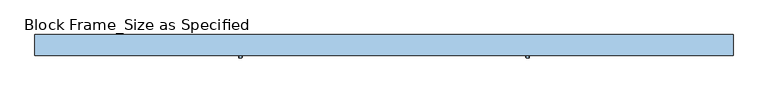
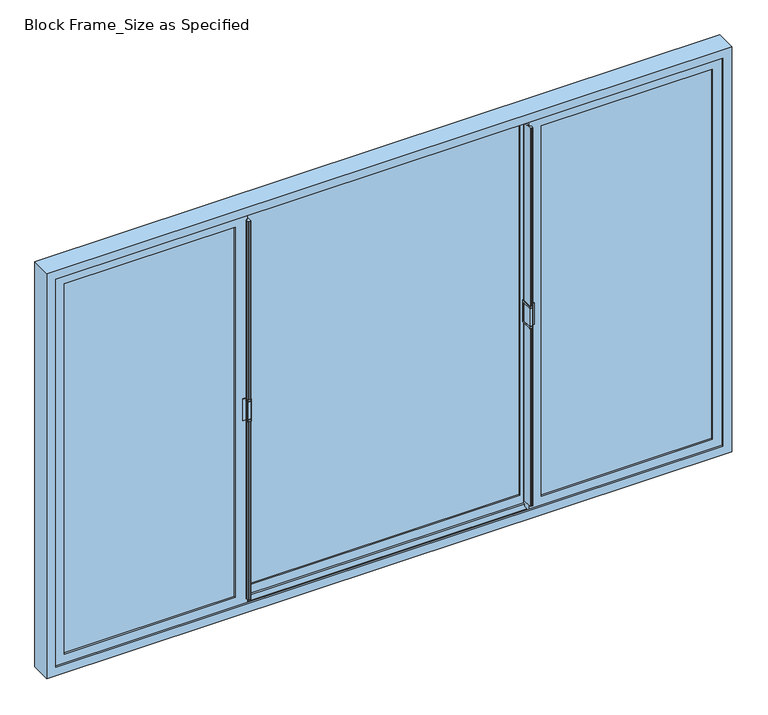
"""IFC4 building model written with IfcOpenShell, lengths in millimetres: window geometry, Block Frame_Size as Specified."""

from ifc_helpers import new_model, si_unit, frame, origin, place, context, project, spatial, polyline, circle_curve, outline, extrude, faceted_brep, source, transform, mapped, element, save
from ifc_brep_helpers import plane_surface, cylinder_surface, advanced_brep


def block_frame_size_as_specified_815a93c2(model_context):
    return source(origin(), model_context, "Body", "SolidModel", [
        advanced_brep(
        [(-478.110056, 23.3959942, 1409.7), (-476.522556, 24.9834942, 1409.7), (-476.522556, 65.9504688, 1409.7), (-478.48439, 65.9504688, 1409.7), (-478.48439, 37.8803692, 1409.7), (-499.6447082, 37.8803692, 1409.7), (-499.6447082, 36.4928692, 1409.7), (-488.4155038, 36.4928692, 1409.7), (-488.4155038, 24.9834942, 1409.7), (-486.8280038, 23.3959942, 1409.7), (-478.110056, 23.3959942, 1327.15), (-486.8280038, 23.3959942, 1327.15), (-488.4155038, 24.9834942, 1327.15), (-488.4155038, 36.4928692, 1327.15), (-499.6447082, 36.4928692, 1327.15), (-499.6447082, 37.8803692, 1327.15), (-478.48439, 37.8803692, 1327.15), (-478.48439, 65.9504688, 1327.15), (-476.522556, 65.9504688, 1327.15), (-476.522556, 24.9834942, 1327.15), (-486.8280038, 23.3959942, 1403.35), (-478.110056, 23.3959942, 1403.35), (-478.110056, 23.3959942, 1333.5), (-486.8280038, 23.3959942, 1333.5), (-478.110056, 23.3959942, 1335.0875), (-478.110056, 23.3959942, 1401.7625), (-486.8280038, 23.3959942, 1401.7625), (-486.8280038, 23.3959942, 1335.0875), (-488.4155038, 24.9834942, 1403.35), (-488.4155038, 24.9834942, 1333.5), (-488.4155038, 24.9834942, 1401.7625), (-488.4155038, 24.9834942, 1335.0875), (-488.4155038, 36.4928692, 1403.35), (-488.4155038, 36.4928692, 1333.5), (-488.4155038, 36.4928692, 1401.7625), (-488.4155038, 36.4928692, 1335.0875), (-478.48439, 37.8803692, 1403.35), (-488.4155038, 37.8803692, 1403.35), (-488.4155038, 37.8803692, 1401.7625), (-478.48439, 37.8803692, 1401.7625), (-478.48439, 37.8803692, 1335.0875), (-488.4155038, 37.8803692, 1335.0875), (-488.4155038, 37.8803692, 1333.5), (-478.48439, 37.8803692, 1333.5), (-478.48439, 59.6004688, 1333.5), (-478.48439, 59.6004688, 1403.35), (-478.48439, 58.0129688, 1401.7625), (-478.48439, 58.0129688, 1335.0875), (-476.522556, 24.9834942, 1403.35), (-476.522556, 59.6004688, 1403.35), (-476.522556, 59.6004688, 1333.5), (-476.522556, 24.9834942, 1333.5), (-476.522556, 24.9834942, 1401.7625), (-476.522556, 24.9834942, 1335.0875), (-476.522556, 58.0129688, 1335.0875), (-476.522556, 58.0129688, 1401.7625)],
        [
            (0, 1, circle_curve(frame((-478.110056, 24.9834942, 1409.7), z_axis=(0.0, 0.0, 1.0), x_axis=(0.0, 1.0, 0.0)), 1.5875)),
            (1, 2),
            (2, 3),
            (3, 4),
            (4, 5),
            (5, 6),
            (6, 7),
            (7, 8),
            (8, 9, circle_curve(frame((-486.8280038, 24.9834942, 1409.7), z_axis=(0.0, 0.0, 1.0), x_axis=(0.0, 1.0, 0.0)), 1.5875)),
            (9, 0),
            (10, 11),
            (11, 12, circle_curve(frame((-486.8280038, 24.9834942, 1327.15), z_axis=(0.0, 0.0, -1.0), x_axis=(0.0, 1.0, 0.0)), 1.5875)),
            (12, 13),
            (13, 14),
            (14, 15),
            (15, 16),
            (16, 17),
            (17, 18),
            (18, 19),
            (19, 10, circle_curve(frame((-478.110056, 24.9834942, 1327.15), z_axis=(0.0, 0.0, -1.0), x_axis=(0.0, 1.0, 0.0)), 1.5875)),
            (9, 20),
            (20, 21),
            (21, 0),
            (10, 22),
            (22, 23),
            (23, 11),
            (24, 25),
            (25, 26),
            (26, 27),
            (27, 24),
            (8, 28),
            (28, 20, circle_curve(frame((-486.8280038, 24.9834942, 1403.35), z_axis=(0.0, 0.0, 1.0), x_axis=(0.0, 1.0, 0.0)), 1.5875)),
            (23, 29, circle_curve(frame((-486.8280038, 24.9834942, 1333.5), z_axis=(0.0, 0.0, -1.0), x_axis=(0.0, 1.0, 0.0)), 1.5875)),
            (29, 12),
            (26, 30, circle_curve(frame((-486.8280038, 24.9834942, 1401.7625), z_axis=(0.0, 0.0, -1.0), x_axis=(0.0, 1.0, 0.0)), 1.5875)),
            (30, 31),
            (31, 27, circle_curve(frame((-486.8280038, 24.9834942, 1335.0875), z_axis=(0.0, 0.0, 1.0), x_axis=(0.0, 1.0, 0.0)), 1.5875)),
            (7, 32),
            (32, 28),
            (29, 33),
            (33, 13),
            (30, 34),
            (34, 35),
            (35, 31),
            (6, 14),
            (33, 35),
            (34, 32),
            (5, 15),
            (4, 36),
            (36, 37),
            (37, 38),
            (38, 39),
            (39, 40),
            (40, 41),
            (41, 42),
            (42, 43),
            (43, 16),
            (3, 17),
            (43, 44),
            (44, 45),
            (45, 36),
            (39, 46),
            (46, 47),
            (47, 40),
            (2, 18),
            (1, 48),
            (48, 49),
            (49, 50),
            (50, 51),
            (51, 19),
            (52, 53),
            (53, 54),
            (54, 55),
            (55, 52),
            (21, 48, circle_curve(frame((-478.110056, 24.9834942, 1403.35), z_axis=(0.0, 0.0, 1.0), x_axis=(0.0, 1.0, 0.0)), 1.5875)),
            (51, 22, circle_curve(frame((-478.110056, 24.9834942, 1333.5), z_axis=(0.0, 0.0, -1.0), x_axis=(0.0, 1.0, 0.0)), 1.5875)),
            (24, 53, circle_curve(frame((-478.110056, 24.9834942, 1335.0875), z_axis=(0.0, 0.0, 1.0), x_axis=(0.0, 1.0, 0.0)), 1.5875)),
            (52, 25, circle_curve(frame((-478.110056, 24.9834942, 1401.7625), z_axis=(0.0, 0.0, -1.0), x_axis=(0.0, 1.0, 0.0)), 1.5875)),
            (34, 38),
            (37, 32),
            (41, 35),
            (33, 42),
            (55, 46),
            (54, 47),
            (50, 44),
            (49, 45),
        ],
        [
            plane_surface(frame((-482.9710411, 23.3959942, 1409.7), z_axis=(0.0, 0.0, 1.0), x_axis=(1.0, 0.0, 0.0))),
            plane_surface(frame((-482.9710411, 23.3959942, 1327.15), z_axis=(0.0, 0.0, -1.0), x_axis=(-1.0, 0.0, 0.0))),
            plane_surface(frame((-478.110056, 23.3959942, 1327.15), z_axis=(0.0, -1.0, 0.0), x_axis=(0.0, 0.0, 1.0))),
            cylinder_surface(frame((-486.8280038, 24.9834942, 1409.7), z_axis=(0.0, 0.0, -1.0), x_axis=(0.0, 1.0, 0.0)), 1.5875),
            plane_surface(frame((-488.4155038, 24.9834942, 1327.15), z_axis=(-1.0, 0.0, 0.0), x_axis=(0.0, 0.0, 1.0))),
            plane_surface(frame((-488.4155038, 36.4928692, 1327.15), z_axis=(0.0, -1.0, 0.0), x_axis=(0.0, 0.0, 1.0))),
            plane_surface(frame((-499.6447082, 36.4928692, 1327.15), z_axis=(-1.0, 0.0, 0.0), x_axis=(0.0, 0.0, 1.0))),
            plane_surface(frame((-499.6447082, 37.8803692, 1327.15), z_axis=(0.0, 1.0, 0.0), x_axis=(0.0, 0.0, 1.0))),
            plane_surface(frame((-478.48439, 37.8803692, 1327.15), z_axis=(-1.0, 0.0, 0.0), x_axis=(0.0, 0.0, 1.0))),
            plane_surface(frame((-478.48439, 65.9504688, 1327.15), z_axis=(0.0, 1.0, 0.0), x_axis=(0.0, 0.0, 1.0))),
            plane_surface(frame((-476.522556, 65.9504688, 1327.15), z_axis=(1.0, 0.0, 0.0), x_axis=(0.0, 0.0, 1.0))),
            cylinder_surface(frame((-478.110056, 24.9834942, 1409.7), z_axis=(0.0, 0.0, -1.0), x_axis=(0.0, 1.0, 0.0)), 1.5875),
            plane_surface(frame((-488.4155038, 23.3959942, 1403.35), z_axis=(1.0, 0.0, 0.0), x_axis=(0.0, 0.0, 1.0))),
            plane_surface(frame((-476.522556, 23.3959942, 1401.7625), z_axis=(0.0, 0.0, 1.0), x_axis=(-1.0, 0.0, 0.0))),
            plane_surface(frame((-476.522556, 58.0129688, 1401.7625), z_axis=(0.0, 1.0, 0.0), x_axis=(-1.0, 0.0, 0.0))),
            plane_surface(frame((-476.522556, 58.0129688, 1335.0875), z_axis=(0.0, 0.0, -1.0), x_axis=(-1.0, 0.0, 0.0))),
            plane_surface(frame((-476.522556, 23.3959942, 1333.5), z_axis=(0.0, 0.0, 1.0), x_axis=(-1.0, 0.0, 0.0))),
            plane_surface(frame((-476.522556, 59.6004688, 1333.5), z_axis=(0.0, -1.0, 0.0), x_axis=(-1.0, 0.0, 0.0))),
            plane_surface(frame((-476.522556, 59.6004688, 1403.35), z_axis=(0.0, 0.0, -1.0), x_axis=(-1.0, 0.0, 0.0))),
        ],
        [
            (0, [[1, 2, 3, 4, 5, 6, 7, 8, 9, 10]]),
            (1, [[11, 12, 13, 14, 15, 16, 17, 18, 19, 20]]),
            (2, [[-10, 21, 22, 23]]),
            (2, [[-11, 24, 25, 26]]),
            (2, [[27, 28, 29, 30]]),
            (3, [[-9, 31, 32, -21]]),
            (3, [[-12, -26, 33, 34]]),
            (3, [[-29, 35, 36, 37]]),
            (4, [[-8, 38, 39, -31]]),
            (4, [[-13, -34, 40, 41]]),
            (4, [[-36, 42, 43, 44]]),
            (5, [[-7, 45, -14, -41, 46, -43, 47, -38]]),
            (6, [[-6, 48, -15, -45]]),
            (7, [[-5, 49, 50, 51, 52, 53, 54, 55, 56, 57, -16, -48]]),
            (8, [[-4, 58, -17, -57, 59, 60, 61, -49]]),
            (8, [[-53, 62, 63, 64]]),
            (9, [[-3, 65, -18, -58]]),
            (10, [[-2, 66, 67, 68, 69, 70, -19, -65]]),
            (10, [[71, 72, 73, 74]]),
            (11, [[-1, -23, 75, -66]]),
            (11, [[-20, -70, 76, -24]]),
            (11, [[-27, 77, -71, 78]]),
            (12, [[79, -51, 80, -47]]),
            (12, [[81, -46, 82, -55]]),
            (13, [[-79, -42, -35, -28, -78, -74, 83, -62, -52]]),
            (14, [[-83, -73, 84, -63]]),
            (15, [[-81, -54, -64, -84, -72, -77, -30, -37, -44]]),
            (16, [[-82, -40, -33, -25, -76, -69, 85, -59, -56]]),
            (17, [[-85, -68, 86, -60]]),
            (18, [[-80, -50, -61, -86, -67, -75, -22, -32, -39]]),
        ],
    ),
        advanced_brep(
        [(516.210056, 23.3959942, 1327.15), (514.622556, 24.9834942, 1327.15), (514.622556, 65.9504688, 1327.15), (516.58439, 65.9504688, 1327.15), (516.58439, 37.8803692, 1327.15), (537.7447082, 37.8803692, 1327.15), (537.7447082, 36.4928692, 1327.15), (526.5155038, 36.4928692, 1327.15), (526.5155038, 24.9834942, 1327.15), (524.9280038, 23.3959942, 1327.15), (516.210056, 23.3959942, 1409.7), (524.9280038, 23.3959942, 1409.7), (526.5155038, 24.9834942, 1409.7), (526.5155038, 36.4928692, 1409.7), (537.7447082, 36.4928692, 1409.7), (537.7447082, 37.8803692, 1409.7), (516.58439, 37.8803692, 1409.7), (516.58439, 65.9504688, 1409.7), (514.622556, 65.9504688, 1409.7), (514.622556, 24.9834942, 1409.7), (524.9280038, 23.3959942, 1333.5), (516.210056, 23.3959942, 1333.5), (516.210056, 23.3959942, 1403.35), (524.9280038, 23.3959942, 1403.35), (516.210056, 23.3959942, 1401.7625), (516.210056, 23.3959942, 1335.0875), (524.9280038, 23.3959942, 1335.0875), (524.9280038, 23.3959942, 1401.7625), (526.5155038, 24.9834942, 1333.5), (526.5155038, 24.9834942, 1403.35), (526.5155038, 24.9834942, 1335.0875), (526.5155038, 24.9834942, 1401.7625), (526.5155038, 36.4928692, 1333.5), (526.5155038, 36.4928692, 1403.35), (526.5155038, 36.4928692, 1335.0875), (526.5155038, 36.4928692, 1401.7625), (516.58439, 37.8803692, 1333.5), (526.5155038, 37.8803692, 1333.5), (526.5155038, 37.8803692, 1335.0875), (516.58439, 37.8803692, 1335.0875), (516.58439, 37.8803692, 1401.7625), (526.5155038, 37.8803692, 1401.7625), (526.5155038, 37.8803692, 1403.35), (516.58439, 37.8803692, 1403.35), (516.58439, 59.6004688, 1403.35), (516.58439, 59.6004688, 1333.5), (516.58439, 58.0129688, 1335.0875), (516.58439, 58.0129688, 1401.7625), (514.622556, 24.9834942, 1333.5), (514.622556, 59.6004688, 1333.5), (514.622556, 59.6004688, 1403.35), (514.622556, 24.9834942, 1403.35), (514.622556, 24.9834942, 1335.0875), (514.622556, 24.9834942, 1401.7625), (514.622556, 58.0129688, 1401.7625), (514.622556, 58.0129688, 1335.0875)],
        [
            (0, 1, circle_curve(frame((516.210056, 24.9834942, 1327.15), z_axis=(0.0, 0.0, -1.0), x_axis=(0.0, 1.0, 0.0)), 1.5875)),
            (1, 2),
            (2, 3),
            (3, 4),
            (4, 5),
            (5, 6),
            (6, 7),
            (7, 8),
            (8, 9, circle_curve(frame((524.9280038, 24.9834942, 1327.15), z_axis=(0.0, 0.0, -1.0), x_axis=(0.0, 1.0, 0.0)), 1.5875)),
            (9, 0),
            (10, 11),
            (11, 12, circle_curve(frame((524.9280038, 24.9834942, 1409.7), z_axis=(0.0, 0.0, 1.0), x_axis=(0.0, 1.0, 0.0)), 1.5875)),
            (12, 13),
            (13, 14),
            (14, 15),
            (15, 16),
            (16, 17),
            (17, 18),
            (18, 19),
            (19, 10, circle_curve(frame((516.210056, 24.9834942, 1409.7), z_axis=(0.0, 0.0, 1.0), x_axis=(0.0, 1.0, 0.0)), 1.5875)),
            (9, 20),
            (20, 21),
            (21, 0),
            (10, 22),
            (22, 23),
            (23, 11),
            (24, 25),
            (25, 26),
            (26, 27),
            (27, 24),
            (8, 28),
            (28, 20, circle_curve(frame((524.9280038, 24.9834942, 1333.5), z_axis=(0.0, 0.0, -1.0), x_axis=(0.0, 1.0, 0.0)), 1.5875)),
            (23, 29, circle_curve(frame((524.9280038, 24.9834942, 1403.35), z_axis=(0.0, 0.0, 1.0), x_axis=(0.0, 1.0, 0.0)), 1.5875)),
            (29, 12),
            (26, 30, circle_curve(frame((524.9280038, 24.9834942, 1335.0875), z_axis=(0.0, 0.0, 1.0), x_axis=(0.0, 1.0, 0.0)), 1.5875)),
            (30, 31),
            (31, 27, circle_curve(frame((524.9280038, 24.9834942, 1401.7625), z_axis=(0.0, 0.0, -1.0), x_axis=(0.0, 1.0, 0.0)), 1.5875)),
            (7, 32),
            (32, 28),
            (29, 33),
            (33, 13),
            (30, 34),
            (34, 35),
            (35, 31),
            (6, 14),
            (33, 35),
            (34, 32),
            (5, 15),
            (4, 36),
            (36, 37),
            (37, 38),
            (38, 39),
            (39, 40),
            (40, 41),
            (41, 42),
            (42, 43),
            (43, 16),
            (3, 17),
            (43, 44),
            (44, 45),
            (45, 36),
            (39, 46),
            (46, 47),
            (47, 40),
            (2, 18),
            (1, 48),
            (48, 49),
            (49, 50),
            (50, 51),
            (51, 19),
            (52, 53),
            (53, 54),
            (54, 55),
            (55, 52),
            (21, 48, circle_curve(frame((516.210056, 24.9834942, 1333.5), z_axis=(0.0, 0.0, -1.0), x_axis=(0.0, 1.0, 0.0)), 1.5875)),
            (51, 22, circle_curve(frame((516.210056, 24.9834942, 1403.35), z_axis=(0.0, 0.0, 1.0), x_axis=(0.0, 1.0, 0.0)), 1.5875)),
            (24, 53, circle_curve(frame((516.210056, 24.9834942, 1401.7625), z_axis=(0.0, 0.0, -1.0), x_axis=(0.0, 1.0, 0.0)), 1.5875)),
            (52, 25, circle_curve(frame((516.210056, 24.9834942, 1335.0875), z_axis=(0.0, 0.0, 1.0), x_axis=(0.0, 1.0, 0.0)), 1.5875)),
            (34, 38),
            (37, 32),
            (41, 35),
            (33, 42),
            (55, 46),
            (54, 47),
            (50, 44),
            (49, 45),
        ],
        [
            plane_surface(frame((521.0710411, 23.3959942, 1327.15), z_axis=(0.0, 0.0, -1.0), x_axis=(-1.0, 0.0, 0.0))),
            plane_surface(frame((521.0710411, 23.3959942, 1409.7), z_axis=(0.0, 0.0, 1.0), x_axis=(1.0, 0.0, 0.0))),
            plane_surface(frame((516.210056, 23.3959942, 1409.7), z_axis=(0.0, -1.0, 0.0), x_axis=(0.0, 0.0, -1.0))),
            cylinder_surface(frame((524.9280038, 24.9834942, 1327.15), z_axis=(0.0, 0.0, 1.0), x_axis=(0.0, 1.0, 0.0)), 1.5875),
            plane_surface(frame((526.5155038, 24.9834942, 1409.7), z_axis=(1.0, 0.0, 0.0), x_axis=(0.0, 0.0, -1.0))),
            plane_surface(frame((526.5155038, 36.4928692, 1409.7), z_axis=(0.0, -1.0, 0.0), x_axis=(0.0, 0.0, -1.0))),
            plane_surface(frame((537.7447082, 36.4928692, 1409.7), z_axis=(1.0, 0.0, 0.0), x_axis=(0.0, 0.0, -1.0))),
            plane_surface(frame((537.7447082, 37.8803692, 1409.7), z_axis=(0.0, 1.0, 0.0), x_axis=(0.0, 0.0, -1.0))),
            plane_surface(frame((516.58439, 37.8803692, 1409.7), z_axis=(1.0, 0.0, 0.0), x_axis=(0.0, 0.0, -1.0))),
            plane_surface(frame((516.58439, 65.9504688, 1409.7), z_axis=(0.0, 1.0, 0.0), x_axis=(0.0, 0.0, -1.0))),
            plane_surface(frame((514.622556, 65.9504688, 1409.7), z_axis=(-1.0, 0.0, 0.0), x_axis=(0.0, 0.0, -1.0))),
            cylinder_surface(frame((516.210056, 24.9834942, 1327.15), z_axis=(0.0, 0.0, 1.0), x_axis=(0.0, 1.0, 0.0)), 1.5875),
            plane_surface(frame((526.5155038, 23.3959942, 1333.5), z_axis=(-1.0, 0.0, 0.0), x_axis=(0.0, 0.0, -1.0))),
            plane_surface(frame((514.622556, 23.3959942, 1335.0875), z_axis=(0.0, 0.0, -1.0), x_axis=(1.0, 0.0, 0.0))),
            plane_surface(frame((514.622556, 58.0129688, 1335.0875), z_axis=(0.0, 1.0, 0.0), x_axis=(1.0, 0.0, 0.0))),
            plane_surface(frame((514.622556, 58.0129688, 1401.7625), z_axis=(0.0, 0.0, 1.0), x_axis=(1.0, 0.0, 0.0))),
            plane_surface(frame((514.622556, 23.3959942, 1403.35), z_axis=(0.0, 0.0, -1.0), x_axis=(1.0, 0.0, 0.0))),
            plane_surface(frame((514.622556, 59.6004688, 1403.35), z_axis=(0.0, -1.0, 0.0), x_axis=(1.0, 0.0, 0.0))),
            plane_surface(frame((514.622556, 59.6004688, 1333.5), z_axis=(0.0, 0.0, 1.0), x_axis=(1.0, 0.0, 0.0))),
        ],
        [
            (0, [[1, 2, 3, 4, 5, 6, 7, 8, 9, 10]]),
            (1, [[11, 12, 13, 14, 15, 16, 17, 18, 19, 20]]),
            (2, [[-10, 21, 22, 23]]),
            (2, [[-11, 24, 25, 26]]),
            (2, [[27, 28, 29, 30]]),
            (3, [[-9, 31, 32, -21]]),
            (3, [[-12, -26, 33, 34]]),
            (3, [[-29, 35, 36, 37]]),
            (4, [[-8, 38, 39, -31]]),
            (4, [[-13, -34, 40, 41]]),
            (4, [[-36, 42, 43, 44]]),
            (5, [[-7, 45, -14, -41, 46, -43, 47, -38]]),
            (6, [[-6, 48, -15, -45]]),
            (7, [[-5, 49, 50, 51, 52, 53, 54, 55, 56, 57, -16, -48]]),
            (8, [[-4, 58, -17, -57, 59, 60, 61, -49]]),
            (8, [[-53, 62, 63, 64]]),
            (9, [[-3, 65, -18, -58]]),
            (10, [[-2, 66, 67, 68, 69, 70, -19, -65]]),
            (10, [[71, 72, 73, 74]]),
            (11, [[-1, -23, 75, -66]]),
            (11, [[-20, -70, 76, -24]]),
            (11, [[-27, 77, -71, 78]]),
            (12, [[79, -51, 80, -47]]),
            (12, [[81, -46, 82, -55]]),
            (13, [[-79, -42, -35, -28, -78, -74, 83, -62, -52]]),
            (14, [[-83, -73, 84, -63]]),
            (15, [[-81, -54, -64, -84, -72, -77, -30, -37, -44]]),
            (16, [[-82, -40, -33, -25, -76, -69, 85, -59, -56]]),
            (17, [[-85, -68, 86, -60]]),
            (18, [[-80, -50, -61, -86, -67, -75, -22, -32, -39]]),
        ],
    ),
        faceted_brep([(1238.25, 104.4283692, 2130.425), (1238.25, 31.4033692, 2130.425), (1238.25, 31.4033692, 606.425), (1238.25, 104.4283692, 606.425), (1222.375, 97.3658834, 2114.55), (1222.375, 104.4283692, 2114.55), (1222.375, 104.4283692, 622.3), (1222.375, 97.3658834, 622.3), (1206.5, 68.9953692, 2098.675), (1206.5, 79.9173692, 2098.675), (1206.5, 79.9173692, 638.175), (1206.5, 68.9953692, 638.175), (1228.725, 37.7533692, 2120.9), (1228.725, 68.9953692, 2120.9), (1228.725, 68.9953692, 615.95), (1228.725, 37.7533692, 615.95), (1206.5, 31.4033692, 2098.675), (1206.5, 37.7533692, 2098.675), (1206.5, 37.7533692, 638.175), (1206.5, 31.4033692, 638.175), (-1200.15, 31.4033692, 606.425), (-1200.15, 104.4283692, 606.425), (-1184.275, 104.4283692, 622.3), (-1184.275, 97.3658834, 622.3), (-1168.4, 79.9173692, 638.175), (-1168.4, 68.9953692, 638.175), (-1190.625, 68.9953692, 615.95), (-1190.625, 37.7533692, 615.95), (-1168.4, 37.7533692, 638.175), (-1168.4, 31.4033692, 638.175), (-1200.15, 31.4033692, 2130.425), (-1200.15, 104.4283692, 2130.425), (-1184.275, 104.4283692, 2114.55), (-1184.275, 97.3658834, 2114.55), (-1168.4, 79.9173692, 2098.675), (-1168.4, 68.9953692, 2098.675), (-1190.625, 68.9953692, 2120.9), (-1190.625, 37.7533692, 2120.9), (-1168.4, 37.7533692, 2098.675), (-1168.4, 31.4033692, 2098.675), (1224.9532518, 79.9173692, 2117.1282518), (1224.9532518, 97.3658834, 2117.1282518), (1224.9532518, 97.3658834, 619.7217482), (1224.9532518, 79.9173692, 619.7217482), (-1186.8532518, 97.3658834, 619.7217482), (-1186.8532518, 79.9173692, 619.7217482), (-1186.8532518, 97.3658834, 2117.1282518), (-1186.8532518, 79.9173692, 2117.1282518)], [[[0, 1, 2, 3]], [[4, 5, 6, 7]], [[8, 9, 10, 11]], [[12, 13, 14, 15]], [[16, 17, 18, 19]], [[3, 2, 20, 21]], [[7, 6, 22, 23]], [[11, 10, 24, 25]], [[15, 14, 26, 27]], [[19, 18, 28, 29]], [[21, 20, 30, 31]], [[23, 22, 32, 33]], [[25, 24, 34, 35]], [[27, 26, 36, 37]], [[29, 28, 38, 39]], [[1, 0, 31, 30]], [[0, 3, 21, 31], [6, 5, 32, 22]], [[5, 4, 33, 32]], [[9, 8, 35, 34]], [[14, 13, 36, 26], [8, 11, 25, 35]], [[13, 12, 37, 36]], [[12, 15, 27, 37], [18, 17, 38, 28]], [[17, 16, 39, 38]], [[2, 1, 30, 20], [16, 19, 29, 39]], [[40, 41, 42, 43]], [[43, 42, 44, 45]], [[45, 44, 46, 47]], [[42, 41, 46, 44], [4, 7, 23, 33]], [[41, 40, 47, 46]], [[40, 43, 45, 47], [10, 9, 34, 24]]]),
        extrude(outline(polyline([(662.5009224, -1144.0740776), (662.5009224, -516.4509224), (2074.3490776, -516.4509224), (2074.3490776, -1144.0740776), (662.5009224, -1144.0740776)]), holes=[polyline([(2066.4115776, -1136.1365776), (2066.4115776, -524.3884224), (670.4384224, -524.3884224), (670.4384224, -1136.1365776), (2066.4115776, -1136.1365776)])]), frame((0.0, 47.5958692, 0.0), z_axis=(0.0, 1.0, 0.0), x_axis=(0.0, 0.0, 1.0)), (0.0, 0.0, 1.0), 12.7),
        extrude(outline(polyline([(2078.0375, 521.49375), (2078.0375, -483.39375), (658.8125, -483.39375), (658.8125, 521.49375), (2078.0375, 521.49375)]), holes=[polyline([(669.925, 510.38125), (669.925, -472.28125), (2066.925, -472.28125), (2066.925, 510.38125), (669.925, 510.38125)])]), frame((0.0, 83.7908692, 0.0), z_axis=(0.0, 1.0, 0.0), x_axis=(0.0, 0.0, 1.0)), (0.0, 0.0, 1.0), 12.7),
        extrude(outline(polyline([(2074.3490776, 1182.1740776), (2074.3490776, 554.5509224), (662.5009224, 554.5509224), (662.5009224, 1182.1740776), (2074.3490776, 1182.1740776)]), holes=[polyline([(670.4384224, 1174.2365776), (670.4384224, 562.4884224), (2066.4115776, 562.4884224), (2066.4115776, 1174.2365776), (670.4384224, 1174.2365776)])]), frame((0.0, 47.5958692, 0.0), z_axis=(0.0, 1.0, 0.0), x_axis=(0.0, 0.0, 1.0)), (0.0, 0.0, 1.0), 12.7),
        advanced_brep(
        [(-483.39375, 73.6658692, 629.44375), (-483.39375, 73.6658692, 2107.40625), (-483.39375, 37.7533692, 2107.40625), (-483.39375, 37.7533692, 2079.625), (-483.39375, 60.4158692, 2079.625), (-483.39375, 60.4158692, 657.225), (-483.39375, 37.7533692, 657.225), (-483.39375, 37.7533692, 629.44375), (-509.5932148, 67.118213, 2081.2067852), (-509.5932148, 67.9158692, 2081.2067852), (-509.5932148, 67.9158692, 2107.40625), (-509.5932148, 73.6658692, 2107.40625), (-509.5932148, 73.6658692, 629.44375), (-509.5932148, 67.9158692, 629.44375), (-509.5932148, 67.9158692, 655.6432148), (-509.5932148, 67.118213, 655.6432148), (-525.4688502, 63.2803692, 2065.3311498), (-525.4688502, 67.118213, 2065.3311498), (-525.4688502, 67.118213, 671.5188502), (-525.4688502, 63.2803692, 671.5188502), (-516.4509224, 44.2303692, 2074.3490776), (-516.4509224, 63.2803692, 2074.3490776), (-516.4509224, 63.2803692, 662.5009224), (-516.4509224, 44.2303692, 662.5009224), (-525.4509224, 37.7533692, 2065.3490776), (-525.4509224, 44.2303692, 2065.3490776), (-525.4509224, 44.2303692, 671.5009224), (-525.4509224, 37.7533692, 671.5009224), (-1177.13125, 37.7533692, 629.44375), (-1177.13125, 67.9158692, 629.44375), (-1150.9317852, 67.9158692, 655.6432148), (-1150.9317852, 67.118213, 655.6432148), (-1135.0561498, 67.118213, 671.5188502), (-1135.0561498, 63.2803692, 671.5188502), (-1144.0740776, 63.2803692, 662.5009224), (-1144.0740776, 44.2303692, 662.5009224), (-1135.0740776, 44.2303692, 671.5009224), (-1135.0740776, 37.7533692, 671.5009224), (-1177.13125, 37.7533692, 2107.40625), (-1177.13125, 67.9158692, 2107.40625), (-1150.9317852, 67.9158692, 2081.2067852), (-1150.9317852, 67.118213, 2081.2067852), (-1135.0561498, 67.118213, 2065.3311498), (-1135.0561498, 63.2803692, 2065.3311498), (-1144.0740776, 63.2803692, 2074.3490776), (-1144.0740776, 44.2303692, 2074.3490776), (-1135.0740776, 44.2303692, 2065.3490776), (-1135.0740776, 37.7533692, 2065.3490776), (-485.17918, 37.7533692, 657.225), (-485.17918, 37.7533692, 2079.625), (-488.290714, 32.4922211, 2079.625), (-486.8800981, 24.4922211, 2079.625), (-485.8952904, 23.6658692, 2079.625), (-479.73439, 23.6658692, 2079.625), (-478.48439, 24.9158692, 2079.625), (-478.48439, 60.4158692, 2079.625), (-485.17918, 33.6658692, 2079.625), (-487.3059062, 33.6658692, 2079.625), (-488.290714, 32.4922211, 657.225), (-487.3059062, 33.6658692, 657.225), (-485.17918, 33.6658692, 657.225), (-478.48439, 60.4158692, 657.225), (-478.48439, 24.9158692, 657.225), (-479.73439, 23.6658692, 657.225), (-485.8952904, 23.6658692, 657.225), (-486.8800981, 24.4922211, 657.225)],
        [
            (0, 1),
            (1, 2),
            (2, 3),
            (3, 4),
            (4, 5),
            (5, 6),
            (6, 7),
            (7, 0),
            (8, 9),
            (9, 10),
            (10, 11),
            (11, 12),
            (12, 13),
            (13, 14),
            (14, 15),
            (15, 8),
            (16, 17),
            (17, 18),
            (18, 19),
            (19, 16),
            (20, 21),
            (21, 22),
            (22, 23),
            (23, 20),
            (24, 25),
            (25, 26),
            (26, 27),
            (27, 24),
            (7, 28),
            (28, 29),
            (29, 13),
            (12, 0),
            (14, 30),
            (30, 31),
            (31, 15),
            (18, 32),
            (32, 33),
            (33, 19),
            (22, 34),
            (34, 35),
            (35, 23),
            (26, 36),
            (36, 37),
            (37, 27),
            (28, 38),
            (38, 39),
            (39, 29),
            (30, 40),
            (40, 41),
            (41, 31),
            (32, 42),
            (42, 43),
            (43, 33),
            (34, 44),
            (44, 45),
            (45, 35),
            (36, 46),
            (46, 47),
            (47, 37),
            (38, 2),
            (1, 11),
            (10, 39),
            (9, 40),
            (8, 41),
            (17, 42),
            (16, 43),
            (21, 44),
            (20, 45),
            (25, 46),
            (24, 47),
            (6, 48),
            (48, 49),
            (49, 3),
            (50, 51),
            (51, 52, circle_curve(frame((-485.8952904, 24.6658692, 2079.625), z_axis=(0.0, 0.0, 1.0), x_axis=(1.0, 0.0, 0.0)), 1.0)),
            (52, 53),
            (53, 54, circle_curve(frame((-479.73439, 24.9158692, 2079.625), z_axis=(0.0, 0.0, 1.0), x_axis=(1.0, 0.0, 0.0)), 1.25)),
            (54, 55),
            (55, 4),
            (49, 56),
            (56, 57),
            (57, 50, circle_curve(frame((-487.3059062, 32.6658692, 2079.625), z_axis=(0.0, 0.0, 1.0), x_axis=(1.0, 0.0, 0.0)), 1.0)),
            (58, 59, circle_curve(frame((-487.3059062, 32.6658692, 657.225), z_axis=(0.0, 0.0, -1.0), x_axis=(1.0, 0.0, 0.0)), 1.0)),
            (59, 60),
            (60, 48),
            (5, 61),
            (61, 62),
            (62, 63, circle_curve(frame((-479.73439, 24.9158692, 657.225), z_axis=(0.0, 0.0, -1.0), x_axis=(1.0, 0.0, 0.0)), 1.25)),
            (63, 64),
            (64, 65, circle_curve(frame((-485.8952904, 24.6658692, 657.225), z_axis=(0.0, 0.0, -1.0), x_axis=(1.0, 0.0, 0.0)), 1.0)),
            (65, 58),
            (50, 58),
            (65, 51),
            (64, 52),
            (63, 53),
            (62, 54),
            (61, 55),
            (60, 56),
            (59, 57),
        ],
        [
            plane_surface(frame((-483.39375, 37.7533692, 2107.40625), z_axis=(1.0, 0.0, 0.0), x_axis=(0.0, 0.0, -1.0))),
            plane_surface(frame((-509.5932148, 67.9158692, 2081.2067852), z_axis=(-1.0, 0.0, 0.0), x_axis=(0.0, 0.0, -1.0))),
            plane_surface(frame((-525.4688502, 67.118213, 2065.3311498), z_axis=(-1.0, 0.0, 0.0), x_axis=(0.0, 0.0, -1.0))),
            plane_surface(frame((-516.4509224, 63.2803692, 2074.3490776), z_axis=(-1.0, 0.0, 0.0), x_axis=(0.0, 0.0, -1.0))),
            plane_surface(frame((-525.4509224, 44.2303692, 2065.3490776), z_axis=(-1.0, 0.0, 0.0), x_axis=(0.0, 0.0, -1.0))),
            plane_surface(frame((-483.39375, 37.7533692, 629.44375), z_axis=(0.0, 0.0, -1.0), x_axis=(-1.0, 0.0, 0.0))),
            plane_surface(frame((-509.5932148, 67.9158692, 655.6432148), z_axis=(0.0, 0.0, 1.0), x_axis=(-1.0, 0.0, 0.0))),
            plane_surface(frame((-525.4688502, 67.118213, 671.5188502), z_axis=(0.0, 0.0, 1.0), x_axis=(-1.0, 0.0, 0.0))),
            plane_surface(frame((-516.4509224, 63.2803692, 662.5009224), z_axis=(0.0, 0.0, 1.0), x_axis=(-1.0, 0.0, 0.0))),
            plane_surface(frame((-525.4509224, 44.2303692, 671.5009224), z_axis=(0.0, 0.0, 1.0), x_axis=(-1.0, 0.0, 0.0))),
            plane_surface(frame((-1177.13125, 37.7533692, 629.44375), z_axis=(-1.0, 0.0, 0.0), x_axis=(0.0, 0.0, 1.0))),
            plane_surface(frame((-1150.9317852, 67.9158692, 655.6432148), z_axis=(1.0, 0.0, 0.0), x_axis=(0.0, 0.0, 1.0))),
            plane_surface(frame((-1135.0561498, 67.118213, 671.5188502), z_axis=(1.0, 0.0, 0.0), x_axis=(0.0, 0.0, 1.0))),
            plane_surface(frame((-1144.0740776, 63.2803692, 662.5009224), z_axis=(1.0, 0.0, 0.0), x_axis=(0.0, 0.0, 1.0))),
            plane_surface(frame((-1135.0740776, 44.2303692, 671.5009224), z_axis=(1.0, 0.0, 0.0), x_axis=(0.0, 0.0, 1.0))),
            plane_surface(frame((-1177.13125, 37.7533692, 2107.40625), z_axis=(0.0, 0.0, 1.0), x_axis=(1.0, 0.0, 0.0))),
            plane_surface(frame((-1177.13125, 67.9158692, 2107.40625), z_axis=(0.0, 1.0, 0.0), x_axis=(1.0, 0.0, 0.0))),
            plane_surface(frame((-1150.9317852, 67.9158692, 2081.2067852), z_axis=(0.0, 0.0, -1.0), x_axis=(1.0, 0.0, 0.0))),
            plane_surface(frame((-1150.9317852, 67.118213, 2081.2067852), z_axis=(0.0, 1.0, 0.0), x_axis=(1.0, 0.0, 0.0))),
            plane_surface(frame((-1135.0561498, 67.118213, 2065.3311498), z_axis=(0.0, 0.0, -1.0), x_axis=(1.0, 0.0, 0.0))),
            plane_surface(frame((-1135.0561498, 63.2803692, 2065.3311498), z_axis=(0.0, -1.0, 0.0), x_axis=(1.0, 0.0, 0.0))),
            plane_surface(frame((-1144.0740776, 63.2803692, 2074.3490776), z_axis=(0.0, 0.0, -1.0), x_axis=(1.0, 0.0, 0.0))),
            plane_surface(frame((-1144.0740776, 44.2303692, 2074.3490776), z_axis=(0.0, 1.0, 0.0), x_axis=(1.0, 0.0, 0.0))),
            plane_surface(frame((-1135.0740776, 44.2303692, 2065.3490776), z_axis=(0.0, 0.0, -1.0), x_axis=(1.0, 0.0, 0.0))),
            plane_surface(frame((-1135.0740776, 37.7533692, 2065.3490776), z_axis=(0.0, -1.0, 0.0), x_axis=(1.0, 0.0, 0.0))),
            plane_surface(frame((-483.39375, 73.6658692, 2107.40625), z_axis=(0.0, 1.0, 0.0), x_axis=(0.0, 0.0, -1.0))),
            plane_surface(frame((-486.8800981, 24.4922211, 2079.625), z_axis=(0.0, 0.0, 1.0000000000000002), x_axis=(0.1736481776717837, -0.9848077530113524, 0.0))),
            plane_surface(frame((-486.8800981, 24.4922211, 657.225), z_axis=(0.0, 0.0, -1.0000000000000002), x_axis=(-0.1736481776717837, 0.9848077530113524, 0.0))),
            plane_surface(frame((-488.290714, 32.4922211, 2079.625), z_axis=(-0.9848077530113524, -0.1736481776717837, 0.0), x_axis=(0.0, 0.0, -1.0))),
            cylinder_surface(frame((-485.8952904, 24.6658692, 657.225), z_axis=(0.0, 0.0, 1.0), x_axis=(1.0, 0.0, 0.0)), 1.0),
            plane_surface(frame((-485.8952904, 23.6658692, 2079.625), z_axis=(0.0, -1.0, 0.0), x_axis=(0.0, 0.0, -1.0))),
            cylinder_surface(frame((-479.73439, 24.9158692, 657.225), z_axis=(0.0, 0.0, 1.0), x_axis=(1.0, 0.0, 0.0)), 1.25),
            plane_surface(frame((-478.48439, 24.9158692, 2079.625), z_axis=(1.0, 0.0, 0.0), x_axis=(0.0, 0.0, -1.0))),
            plane_surface(frame((-478.48439, 60.4158692, 2079.625), z_axis=(0.0, 1.0, 0.0), x_axis=(0.0, 0.0, -1.0))),
            plane_surface(frame((-485.17918, 37.7533692, 2079.625), z_axis=(-1.0, 0.0, 0.0), x_axis=(0.0, 0.0, -1.0))),
            plane_surface(frame((-485.17918, 33.6658692, 2079.625), z_axis=(-6.843973229380174e-12, 1.0, 0.0), x_axis=(0.0, 0.0, -1.0))),
            cylinder_surface(frame((-487.3059062, 32.6658692, 657.225), z_axis=(0.0, 0.0, 1.0), x_axis=(1.0, 0.0, 0.0)), 1.0),
        ],
        [
            (0, [[1, 2, 3, 4, 5, 6, 7, 8]]),
            (1, [[9, 10, 11, 12, 13, 14, 15, 16]]),
            (2, [[17, 18, 19, 20]]),
            (3, [[21, 22, 23, 24]]),
            (4, [[25, 26, 27, 28]]),
            (5, [[29, 30, 31, -13, 32, -8]]),
            (6, [[-15, 33, 34, 35]]),
            (7, [[-19, 36, 37, 38]]),
            (8, [[-23, 39, 40, 41]]),
            (9, [[-27, 42, 43, 44]]),
            (10, [[-30, 45, 46, 47]]),
            (11, [[-34, 48, 49, 50]]),
            (12, [[-37, 51, 52, 53]]),
            (13, [[-40, 54, 55, 56]]),
            (14, [[-43, 57, 58, 59]]),
            (15, [[-46, 60, -2, 61, -11, 62]]),
            (16, [[-33, -14, -31, -47, -62, -10, 63, -48]]),
            (17, [[-9, 64, -49, -63]]),
            (18, [[-16, -35, -50, -64], [-18, 65, -51, -36]]),
            (19, [[-17, 66, -52, -65]]),
            (20, [[-22, 67, -54, -39], [-20, -38, -53, -66]]),
            (21, [[-21, 68, -55, -67]]),
            (22, [[-24, -41, -56, -68], [-26, 69, -57, -42]]),
            (23, [[-25, 70, -58, -69]]),
            (24, [[-29, -7, 71, 72, 73, -3, -60, -45], [-28, -44, -59, -70]]),
            (25, [[-61, -1, -32, -12]]),
            (26, [[74, 75, 76, 77, 78, 79, -4, -73, 80, 81, 82]]),
            (27, [[83, 84, 85, -71, -6, 86, 87, 88, 89, 90, 91]]),
            (28, [[-74, 92, -91, 93]]),
            (29, [[-75, -93, -90, 94]]),
            (30, [[-76, -94, -89, 95]]),
            (31, [[-77, -95, -88, 96]]),
            (32, [[-78, -96, -87, 97]]),
            (33, [[-79, -97, -86, -5]]),
            (34, [[-80, -72, -85, 98]]),
            (35, [[-81, -98, -84, 99]]),
            (36, [[-82, -99, -83, -92]]),
        ],
    ),
        extrude(outline(polyline([(-483.39375, 99.6658692), (521.49375, 99.6658692), (521.49375, 80.6158692), (-483.39375, 80.6158692), (-483.39375, 99.6658692)])), frame((0.0, 0.0, 658.8125), z_axis=(0.0, 0.0, 1.0), x_axis=(1.0, 0.0, 0.0)), (0.0, 0.0, 1.0), 1419.225),
        faceted_brep([(508.79375, 99.6658692, 2065.3375), (508.79375, 104.4283692, 2065.3375), (508.79375, 104.4283692, 671.5125), (508.79375, 99.6658692, 671.5125), (521.49375, 80.6158692, 2078.0375), (521.49375, 99.6658692, 2078.0375), (521.49375, 99.6658692, 658.8125), (521.49375, 80.6158692, 658.8125), (508.79375, 75.0596192, 2065.3375), (508.79375, 80.6158692, 2065.3375), (508.79375, 80.6158692, 671.5125), (508.79375, 75.0596192, 671.5125), (558.00625, 102.8077634, 2114.55), (558.00625, 79.9173692, 2114.55), (558.00625, 79.9173692, 2107.40625), (558.00625, 68.9953692, 2107.40625), (558.00625, 68.9953692, 629.44375), (558.00625, 79.9173692, 629.44375), (558.00625, 79.9173692, 622.3), (558.00625, 102.8077634, 622.3), (555.0367663, 104.4283692, 2111.5805163), (555.0367663, 102.8077634, 2111.5805163), (555.0367663, 102.8077634, 625.2694837), (555.0367663, 104.4283692, 625.2694837), (-470.69375, 104.4283692, 671.5125), (-470.69375, 99.6658692, 671.5125), (-483.39375, 99.6658692, 658.8125), (-483.39375, 80.6158692, 658.8125), (-470.69375, 80.6158692, 671.5125), (-470.69375, 75.0596192, 671.5125), (-504.03125, 75.0596192, 638.175), (-504.03125, 79.9173692, 638.175), (527.84375, 79.9173692, 638.175), (527.84375, 75.0596192, 638.175), (-519.90625, 79.9173692, 622.3), (-519.90625, 102.8077634, 622.3), (-516.9367663, 102.8077634, 625.2694837), (-516.9367663, 104.4283692, 625.2694837), (-470.69375, 104.4283692, 2065.3375), (-470.69375, 99.6658692, 2065.3375), (-483.39375, 99.6658692, 2078.0375), (-483.39375, 80.6158692, 2078.0375), (-470.69375, 80.6158692, 2065.3375), (-470.69375, 75.0596192, 2065.3375), (-504.03125, 75.0596192, 2098.675), (-504.03125, 79.9173692, 2098.675), (-519.90625, 79.9173692, 2114.55), (-519.90625, 102.8077634, 2114.55), (-516.9367663, 102.8077634, 2111.5805163), (-516.9367663, 104.4283692, 2111.5805163), (527.84375, 75.0596192, 2098.675), (527.84375, 79.9173692, 2098.675), (527.84375, 79.9173692, 629.44375), (527.84375, 79.9173692, 2107.40625), (547.6932148, 73.6658692, 2107.40625), (547.6932148, 68.9953692, 2107.40625), (527.84375, 73.6658692, 2107.40625), (547.6932148, 73.6658692, 629.44375), (527.84375, 73.6658692, 629.44375), (547.6932148, 68.9953692, 629.44375)], [[[0, 1, 2, 3]], [[4, 5, 6, 7]], [[8, 9, 10, 11]], [[12, 13, 14, 15, 16, 17, 18, 19]], [[20, 21, 22, 23]], [[3, 2, 24, 25]], [[7, 6, 26, 27]], [[11, 10, 28, 29]], [[30, 31, 32, 33]], [[19, 18, 34, 35]], [[23, 22, 36, 37]], [[25, 24, 38, 39]], [[27, 26, 40, 41]], [[29, 28, 42, 43]], [[31, 30, 44, 45]], [[35, 34, 46, 47]], [[37, 36, 48, 49]], [[1, 0, 39, 38]], [[6, 5, 40, 26], [0, 3, 25, 39]], [[5, 4, 41, 40]], [[4, 7, 27, 41], [10, 9, 42, 28]], [[9, 8, 43, 42]], [[44, 30, 33, 50], [8, 11, 29, 43]], [[45, 44, 50, 51]], [[34, 18, 17, 52, 32, 31, 45, 51, 53, 14, 13, 46]], [[13, 12, 47, 46]], [[12, 19, 35, 47], [22, 21, 48, 36]], [[21, 20, 49, 48]], [[20, 23, 37, 49], [2, 1, 38, 24]], [[54, 55, 15, 14, 53, 56]], [[57, 58, 52, 17, 16, 59]], [[55, 54, 57, 59]], [[15, 55, 59, 16]], [[56, 53, 51, 50, 33, 32, 52, 58]], [[54, 56, 58, 57]]]),
        advanced_brep(
        [(1215.23125, 67.9158692, 2107.40625), (1215.23125, 37.7533692, 2107.40625), (1215.23125, 37.7533692, 629.44375), (1215.23125, 67.9158692, 629.44375), (1189.0317852, 67.118213, 2081.2067852), (1189.0317852, 67.9158692, 2081.2067852), (1189.0317852, 67.9158692, 655.6432148), (1189.0317852, 67.118213, 655.6432148), (1173.1561498, 63.2803692, 2065.3311498), (1173.1561498, 67.118213, 2065.3311498), (1173.1561498, 67.118213, 671.5188502), (1173.1561498, 63.2803692, 671.5188502), (1182.1740776, 44.2303692, 2074.3490776), (1182.1740776, 63.2803692, 2074.3490776), (1182.1740776, 63.2803692, 662.5009224), (1182.1740776, 44.2303692, 662.5009224), (1173.1740776, 37.7533692, 2065.3490776), (1173.1740776, 44.2303692, 2065.3490776), (1173.1740776, 44.2303692, 671.5009224), (1173.1740776, 37.7533692, 671.5009224), (521.49375, 37.7533692, 629.44375), (521.49375, 73.6658692, 629.44375), (547.6932148, 73.6658692, 629.44375), (547.6932148, 67.9158692, 629.44375), (547.6932148, 67.9158692, 655.6432148), (547.6932148, 67.118213, 655.6432148), (563.5688502, 67.118213, 671.5188502), (563.5688502, 63.2803692, 671.5188502), (554.5509224, 63.2803692, 662.5009224), (554.5509224, 44.2303692, 662.5009224), (563.5509224, 44.2303692, 671.5009224), (563.5509224, 37.7533692, 671.5009224), (521.49375, 37.7533692, 657.225), (521.49375, 60.4158692, 657.225), (521.49375, 60.4158692, 2079.625), (521.49375, 37.7533692, 2079.625), (521.49375, 37.7533692, 2107.40625), (521.49375, 73.6658692, 2107.40625), (547.6932148, 73.6658692, 2107.40625), (547.6932148, 67.9158692, 2107.40625), (547.6932148, 67.9158692, 2081.2067852), (547.6932148, 67.118213, 2081.2067852), (563.5688502, 67.118213, 2065.3311498), (563.5688502, 63.2803692, 2065.3311498), (554.5509224, 63.2803692, 2074.3490776), (554.5509224, 44.2303692, 2074.3490776), (563.5509224, 44.2303692, 2065.3490776), (563.5509224, 37.7533692, 2065.3490776), (523.27918, 37.7533692, 2079.625), (523.27918, 37.7533692, 657.225), (523.9952904, 23.6658692, 2079.625), (524.9800981, 24.4922211, 2079.625), (526.390714, 32.4922211, 2079.625), (525.4059062, 33.6658692, 2079.625), (523.27918, 33.6658692, 2079.625), (516.58439, 60.4158692, 2079.625), (516.58439, 24.9158692, 2079.625), (517.83439, 23.6658692, 2079.625), (523.9952904, 23.6658692, 657.225), (517.83439, 23.6658692, 657.225), (516.58439, 24.9158692, 657.225), (516.58439, 60.4158692, 657.225), (523.27918, 33.6658692, 657.225), (525.4059062, 33.6658692, 657.225), (526.390714, 32.4922211, 657.225), (524.9800981, 24.4922211, 657.225)],
        [
            (0, 1),
            (1, 2),
            (2, 3),
            (3, 0),
            (4, 5),
            (5, 6),
            (6, 7),
            (7, 4),
            (8, 9),
            (9, 10),
            (10, 11),
            (11, 8),
            (12, 13),
            (13, 14),
            (14, 15),
            (15, 12),
            (16, 17),
            (17, 18),
            (18, 19),
            (19, 16),
            (2, 20),
            (20, 21),
            (21, 22),
            (22, 23),
            (23, 3),
            (6, 24),
            (24, 25),
            (25, 7),
            (10, 26),
            (26, 27),
            (27, 11),
            (14, 28),
            (28, 29),
            (29, 15),
            (18, 30),
            (30, 31),
            (31, 19),
            (20, 32),
            (32, 33),
            (33, 34),
            (34, 35),
            (35, 36),
            (36, 37),
            (37, 21),
            (24, 23),
            (22, 38),
            (38, 39),
            (39, 40),
            (40, 41),
            (41, 25),
            (26, 42),
            (42, 43),
            (43, 27),
            (28, 44),
            (44, 45),
            (45, 29),
            (30, 46),
            (46, 47),
            (47, 31),
            (0, 39),
            (38, 37),
            (36, 1),
            (5, 40),
            (4, 41),
            (9, 42),
            (8, 43),
            (13, 44),
            (12, 45),
            (17, 46),
            (16, 47),
            (35, 48),
            (48, 49),
            (49, 32),
            (50, 51, circle_curve(frame((523.9952904, 24.6658692, 2079.625), z_axis=(0.0, 0.0, 1.0), x_axis=(0.0, 1.0, 0.0)), 1.0)),
            (51, 52),
            (52, 53, circle_curve(frame((525.4059062, 32.6658692, 2079.625), z_axis=(0.0, 0.0, 1.0), x_axis=(0.0, 1.0, 0.0)), 1.0)),
            (53, 54),
            (54, 48),
            (34, 55),
            (55, 56),
            (56, 57, circle_curve(frame((517.83439, 24.9158692, 2079.625), z_axis=(0.0, 0.0, 1.0), x_axis=(0.0, 1.0, 0.0)), 1.25)),
            (57, 50),
            (58, 59),
            (59, 60, circle_curve(frame((517.83439, 24.9158692, 657.225), z_axis=(0.0, 0.0, -1.0), x_axis=(0.0, 1.0, 0.0)), 1.25)),
            (60, 61),
            (61, 33),
            (49, 62),
            (62, 63),
            (63, 64, circle_curve(frame((525.4059062, 32.6658692, 657.225), z_axis=(0.0, 0.0, -1.0), x_axis=(0.0, 1.0, 0.0)), 1.0)),
            (64, 65),
            (65, 58, circle_curve(frame((523.9952904, 24.6658692, 657.225), z_axis=(0.0, 0.0, -1.0), x_axis=(0.0, 1.0, 0.0)), 1.0)),
            (50, 58),
            (65, 51),
            (64, 52),
            (63, 53),
            (62, 54),
            (61, 55),
            (60, 56),
            (59, 57),
        ],
        [
            plane_surface(frame((1215.23125, 37.7533692, 2107.40625), z_axis=(1.0, 0.0, 0.0), x_axis=(0.0, 0.0, -1.0))),
            plane_surface(frame((1189.0317852, 67.9158692, 2081.2067852), z_axis=(-1.0, 0.0, 0.0), x_axis=(0.0, 0.0, -1.0))),
            plane_surface(frame((1173.1561498, 67.118213, 2065.3311498), z_axis=(-1.0, 0.0, 0.0), x_axis=(0.0, 0.0, -1.0))),
            plane_surface(frame((1182.1740776, 63.2803692, 2074.3490776), z_axis=(-1.0, 0.0, 0.0), x_axis=(0.0, 0.0, -1.0))),
            plane_surface(frame((1173.1740776, 44.2303692, 2065.3490776), z_axis=(-1.0, 0.0, 0.0), x_axis=(0.0, 0.0, -1.0))),
            plane_surface(frame((1215.23125, 37.7533692, 629.44375), z_axis=(0.0, 0.0, -1.0), x_axis=(-1.0, 0.0, 0.0))),
            plane_surface(frame((1189.0317852, 67.9158692, 655.6432148), z_axis=(0.0, 0.0, 1.0), x_axis=(-1.0, 0.0, 0.0))),
            plane_surface(frame((1173.1561498, 67.118213, 671.5188502), z_axis=(0.0, 0.0, 1.0), x_axis=(-1.0, 0.0, 0.0))),
            plane_surface(frame((1182.1740776, 63.2803692, 662.5009224), z_axis=(0.0, 0.0, 1.0), x_axis=(-1.0, 0.0, 0.0))),
            plane_surface(frame((1173.1740776, 44.2303692, 671.5009224), z_axis=(0.0, 0.0, 1.0), x_axis=(-1.0, 0.0, 0.0))),
            plane_surface(frame((521.49375, 37.7533692, 629.44375), z_axis=(-1.0, 0.0, 0.0), x_axis=(0.0, 0.0, 1.0))),
            plane_surface(frame((547.6932148, 67.9158692, 655.6432148), z_axis=(1.0, 0.0, 0.0), x_axis=(0.0, 0.0, 1.0))),
            plane_surface(frame((563.5688502, 67.118213, 671.5188502), z_axis=(1.0, 0.0, 0.0), x_axis=(0.0, 0.0, 1.0))),
            plane_surface(frame((554.5509224, 63.2803692, 662.5009224), z_axis=(1.0, 0.0, 0.0), x_axis=(0.0, 0.0, 1.0))),
            plane_surface(frame((563.5509224, 44.2303692, 671.5009224), z_axis=(1.0, 0.0, 0.0), x_axis=(0.0, 0.0, 1.0))),
            plane_surface(frame((521.49375, 37.7533692, 2107.40625), z_axis=(0.0, 0.0, 1.0), x_axis=(1.0, 0.0, 0.0))),
            plane_surface(frame((521.49375, 67.9158692, 2107.40625), z_axis=(0.0, 1.0, 0.0), x_axis=(1.0, 0.0, 0.0))),
            plane_surface(frame((547.6932148, 67.9158692, 2081.2067852), z_axis=(0.0, 0.0, -1.0), x_axis=(1.0, 0.0, 0.0))),
            plane_surface(frame((547.6932148, 67.118213, 2081.2067852), z_axis=(0.0, 1.0, 0.0), x_axis=(1.0, 0.0, 0.0))),
            plane_surface(frame((563.5688502, 67.118213, 2065.3311498), z_axis=(0.0, 0.0, -1.0), x_axis=(1.0, 0.0, 0.0))),
            plane_surface(frame((563.5688502, 63.2803692, 2065.3311498), z_axis=(0.0, -1.0, 0.0), x_axis=(1.0, 0.0, 0.0))),
            plane_surface(frame((554.5509224, 63.2803692, 2074.3490776), z_axis=(0.0, 0.0, -1.0), x_axis=(1.0, 0.0, 0.0))),
            plane_surface(frame((554.5509224, 44.2303692, 2074.3490776), z_axis=(0.0, 1.0, 0.0), x_axis=(1.0, 0.0, 0.0))),
            plane_surface(frame((563.5509224, 44.2303692, 2065.3490776), z_axis=(0.0, 0.0, -1.0), x_axis=(1.0, 0.0, 0.0))),
            plane_surface(frame((563.5509224, 37.7533692, 2065.3490776), z_axis=(0.0, -1.0, 0.0), x_axis=(1.0, 0.0, 0.0))),
            plane_surface(frame((523.9952904, 25.6658692, 2079.625), z_axis=(0.0, 0.0, 1.0), x_axis=(-1.0, 0.0, 0.0))),
            plane_surface(frame((523.9952904, 25.6658692, 657.225), z_axis=(0.0, 0.0, -1.0), x_axis=(1.0, 0.0, 0.0))),
            cylinder_surface(frame((523.9952904, 24.6658692, 657.225), z_axis=(0.0, 0.0, 1.0), x_axis=(0.0, 1.0, 0.0)), 1.0),
            plane_surface(frame((524.9800981, 24.4922211, 2079.625), z_axis=(0.9848077530252316, -0.17364817759307022, 0.0), x_axis=(0.0, 0.0, -1.0))),
            cylinder_surface(frame((525.4059062, 32.6658692, 657.225), z_axis=(0.0, 0.0, 1.0), x_axis=(0.0, 1.0, 0.0)), 1.0),
            plane_surface(frame((525.4059062, 33.6658692, 2079.625), z_axis=(0.0, 1.0, 0.0), x_axis=(0.0, 0.0, -1.0))),
            plane_surface(frame((523.27918, 33.6658692, 2079.625), z_axis=(1.0, 0.0, 0.0), x_axis=(0.0, 0.0, -1.0))),
            plane_surface(frame((523.27918, 60.4158692, 2079.625), z_axis=(0.0, 1.0, 0.0), x_axis=(0.0, 0.0, -1.0))),
            plane_surface(frame((516.58439, 60.4158692, 2079.625), z_axis=(-1.0, 0.0, 0.0), x_axis=(0.0, 0.0, -1.0))),
            cylinder_surface(frame((517.83439, 24.9158692, 657.225), z_axis=(0.0, 0.0, 1.0), x_axis=(0.0, 1.0, 0.0)), 1.25),
            plane_surface(frame((517.83439, 23.6658692, 2079.625), z_axis=(0.0, -1.0, 0.0), x_axis=(0.0, 0.0, -1.0))),
            plane_surface(frame((547.6932148, 73.6658692, 2107.40625), z_axis=(0.0, 1.0, 0.0), x_axis=(0.0, 0.0, -1.0))),
        ],
        [
            (0, [[1, 2, 3, 4]]),
            (1, [[5, 6, 7, 8]]),
            (2, [[9, 10, 11, 12]]),
            (3, [[13, 14, 15, 16]]),
            (4, [[17, 18, 19, 20]]),
            (5, [[-3, 21, 22, 23, 24, 25]]),
            (6, [[-7, 26, 27, 28]]),
            (7, [[-11, 29, 30, 31]]),
            (8, [[-15, 32, 33, 34]]),
            (9, [[-19, 35, 36, 37]]),
            (10, [[-22, 38, 39, 40, 41, 42, 43, 44]]),
            (11, [[-27, 45, -24, 46, 47, 48, 49, 50]]),
            (12, [[-30, 51, 52, 53]]),
            (13, [[-33, 54, 55, 56]]),
            (14, [[-36, 57, 58, 59]]),
            (15, [[-1, 60, -47, 61, -43, 62]]),
            (16, [[-4, -25, -45, -26, -6, 63, -48, -60]]),
            (17, [[-5, 64, -49, -63]]),
            (18, [[-8, -28, -50, -64], [-10, 65, -51, -29]]),
            (19, [[-9, 66, -52, -65]]),
            (20, [[-14, 67, -54, -32], [-12, -31, -53, -66]]),
            (21, [[-13, 68, -55, -67]]),
            (22, [[-16, -34, -56, -68], [-18, 69, -57, -35]]),
            (23, [[-17, 70, -58, -69]]),
            (24, [[-2, -62, -42, 71, 72, 73, -38, -21], [-20, -37, -59, -70]]),
            (25, [[74, 75, 76, 77, 78, -71, -41, 79, 80, 81, 82]]),
            (26, [[83, 84, 85, 86, -39, -73, 87, 88, 89, 90, 91]]),
            (27, [[-74, 92, -91, 93]]),
            (28, [[-75, -93, -90, 94]]),
            (29, [[-76, -94, -89, 95]]),
            (30, [[-77, -95, -88, 96]]),
            (31, [[-96, -87, -72, -78]]),
            (32, [[97, -79, -40, -86]]),
            (33, [[-80, -97, -85, 98]]),
            (34, [[-81, -98, -84, 99]]),
            (35, [[-82, -99, -83, -92]]),
            (36, [[-61, -46, -23, -44]]),
        ],
    ),
        extrude(outline(polyline([(554.5509224, 63.2803692), (1182.1740776, 63.2803692), (1182.1740776, 44.2303692), (554.5509224, 44.2303692), (554.5509224, 63.2803692)])), frame((0.0, 0.0, 662.5009224), z_axis=(0.0, 0.0, 1.0), x_axis=(1.0, 0.0, 0.0)), (0.0, 0.0, 1.0), 1411.8481553),
        extrude(outline(polyline([(-1144.0740776, 63.2803692), (-516.4509224, 63.2803692), (-516.4509224, 44.2303692), (-1144.0740776, 44.2303692), (-1144.0740776, 63.2803692)])), frame((0.0, 0.0, 662.5009224), z_axis=(0.0, 0.0, 1.0), x_axis=(1.0, 0.0, 0.0)), (0.0, 0.0, 1.0), 1411.8481553),
    ])


if __name__ == "__main__":
    model = new_model("IFC4")
    model_context = context("Model", 3, world=origin())
    ifc_project = project(units=[si_unit("LENGTHUNIT", "METRE", prefix="MILLI")], contexts=[model_context])
    site = spatial("IfcSite", under=ifc_project)
    building = spatial("IfcBuilding", under=site)
    placement = place(None, origin())
    block_frame_size_as_specified_shape = block_frame_size_as_specified_815a93c2(model_context)
    element("IfcWindow", 1, ObjectType="Block Frame_Size as Specified", at=placement, inside=building, context=model_context, shape_type="MappedRepresentation", body=[
        mapped(block_frame_size_as_specified_shape, transform((0.0, 0.0, 0.0), x_axis=(1.0, 0.0, 0.0), y_axis=(0.0, 1.0, 0.0), z_axis=(0.0, 0.0, 1.0))),
    ])
    save(model, "model.ifc")
